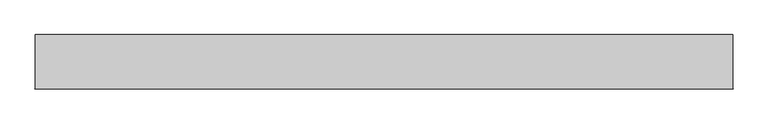
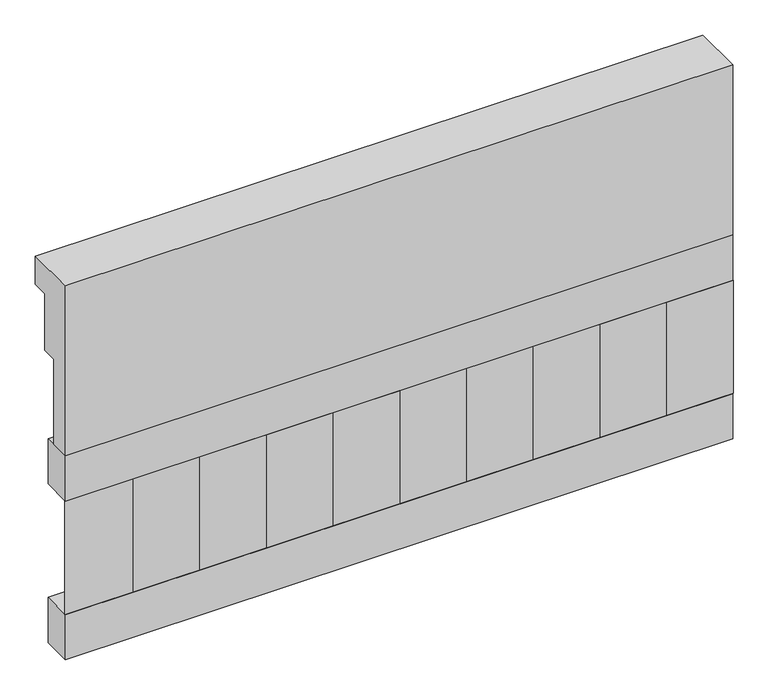
"""IFC4 building model written with IfcOpenShell, lengths in millimetres: railing geometry."""

from ifc_helpers import new_model, si_unit, frame, origin, place, context, project, spatial, polyline, outline, extrude, source, transform, mapped, element, save


def railing_a9d8a038(model_context):
    return source(origin(), model_context, "Body", "SweptSolid", [
        extrude(outline(polyline([(903.1079487, 18500.0), (1033.1079487, 18500.0), (1033.1079487, 18425.0), (993.1079487, 18425.0), (993.1079487, 18275.0), (953.1079487, 18275.0), (953.1079487, 18050.0), (903.1079487, 18050.0), (903.1079487, 18500.0)])), frame((-8909.9887159, 0.0, 0.0), z_axis=(1.0, 0.0, 0.0), x_axis=(0.0, 1.0, 0.0)), (0.0, 0.0, 1.0), 1670.0),
        extrude(outline(polyline([(-7239.9887159, 978.1079487), (-7239.9887159, 903.1079487), (-8909.9887159, 903.1079487), (-8909.9887159, 978.1079487), (-7239.9887159, 978.1079487)])), frame((0.0, 0.0, 17930.0), z_axis=(0.0, 0.0, 1.0), x_axis=(1.0, 0.0, 0.0)), (0.0, 0.0, 1.0), 120.0),
        extrude(outline(polyline([(-7239.9887159, 978.1079487), (-7239.9887159, 903.1079487), (-8909.9887159, 903.1079487), (-8909.9887159, 978.1079487), (-7239.9887159, 978.1079487)])), frame((0.0, 0.0, 17510.0), z_axis=(0.0, 0.0, 1.0), x_axis=(1.0, 0.0, 0.0)), (0.0, 0.0, 1.0), 120.0),
        extrude(outline(polyline([(-8826.4887159, 987.9607624), (-8741.6359022, 903.1079487), (-8911.3415296, 903.1079487), (-8826.4887159, 987.9607624)])), frame((0.0, 0.0, 17630.0), z_axis=(0.0, 0.0, 1.0), x_axis=(1.0, 0.0, 0.0)), (0.0, 0.0, 1.0), 300.0),
        extrude(outline(polyline([(-8659.4887159, 987.9607624), (-8574.6359022, 903.1079487), (-8744.3415296, 903.1079487), (-8659.4887159, 987.9607624)])), frame((0.0, 0.0, 17630.0), z_axis=(0.0, 0.0, 1.0), x_axis=(1.0, 0.0, 0.0)), (0.0, 0.0, 1.0), 300.0),
        extrude(outline(polyline([(-8492.4887159, 987.9607624), (-8407.6359022, 903.1079487), (-8577.3415296, 903.1079487), (-8492.4887159, 987.9607624)])), frame((0.0, 0.0, 17630.0), z_axis=(0.0, 0.0, 1.0), x_axis=(1.0, 0.0, 0.0)), (0.0, 0.0, 1.0), 300.0),
        extrude(outline(polyline([(-8325.4887159, 987.9607624), (-8240.6359022, 903.1079487), (-8410.3415296, 903.1079487), (-8325.4887159, 987.9607624)])), frame((0.0, 0.0, 17630.0), z_axis=(0.0, 0.0, 1.0), x_axis=(1.0, 0.0, 0.0)), (0.0, 0.0, 1.0), 300.0),
        extrude(outline(polyline([(-8158.4887159, 987.9607624), (-8073.6359022, 903.1079487), (-8243.3415296, 903.1079487), (-8158.4887159, 987.9607624)])), frame((0.0, 0.0, 17630.0), z_axis=(0.0, 0.0, 1.0), x_axis=(1.0, 0.0, 0.0)), (0.0, 0.0, 1.0), 300.0),
        extrude(outline(polyline([(-7991.4887159, 987.9607624), (-7906.6359022, 903.1079487), (-8076.3415296, 903.1079487), (-7991.4887159, 987.9607624)])), frame((0.0, 0.0, 17630.0), z_axis=(0.0, 0.0, 1.0), x_axis=(1.0, 0.0, 0.0)), (0.0, 0.0, 1.0), 300.0),
        extrude(outline(polyline([(-7824.4887159, 987.9607624), (-7739.6359022, 903.1079487), (-7909.3415296, 903.1079487), (-7824.4887159, 987.9607624)])), frame((0.0, 0.0, 17630.0), z_axis=(0.0, 0.0, 1.0), x_axis=(1.0, 0.0, 0.0)), (0.0, 0.0, 1.0), 300.0),
        extrude(outline(polyline([(-7657.4887159, 987.9607624), (-7572.6359022, 903.1079487), (-7742.3415296, 903.1079487), (-7657.4887159, 987.9607624)])), frame((0.0, 0.0, 17630.0), z_axis=(0.0, 0.0, 1.0), x_axis=(1.0, 0.0, 0.0)), (0.0, 0.0, 1.0), 300.0),
        extrude(outline(polyline([(-7490.4887159, 987.9607624), (-7405.6359022, 903.1079487), (-7575.3415296, 903.1079487), (-7490.4887159, 987.9607624)])), frame((0.0, 0.0, 17630.0), z_axis=(0.0, 0.0, 1.0), x_axis=(1.0, 0.0, 0.0)), (0.0, 0.0, 1.0), 300.0),
        extrude(outline(polyline([(-7323.4887159, 987.9607624), (-7238.6359022, 903.1079487), (-7408.3415296, 903.1079487), (-7323.4887159, 987.9607624)])), frame((0.0, 0.0, 17630.0), z_axis=(0.0, 0.0, 1.0), x_axis=(1.0, 0.0, 0.0)), (0.0, 0.0, 1.0), 300.0),
    ])


if __name__ == "__main__":
    model = new_model("IFC4")
    model_context = context("Model", 3, world=origin())
    ifc_project = project(units=[si_unit("LENGTHUNIT", "METRE", prefix="MILLI")], contexts=[model_context])
    site = spatial("IfcSite", under=ifc_project)
    building = spatial("IfcBuilding", under=site)
    placement = place(None, origin())
    railing_shape = railing_a9d8a038(model_context)
    element("IfcRailing", 1, at=placement, inside=building, context=model_context, shape_type="MappedRepresentation", body=[
        mapped(railing_shape, transform((0.0, 0.0, 0.0), x_axis=(1.0, 0.0, 0.0), y_axis=(0.0, 1.0, 0.0), z_axis=(0.0, 0.0, 1.0))),
    ])
    save(model, "model.ifc")
